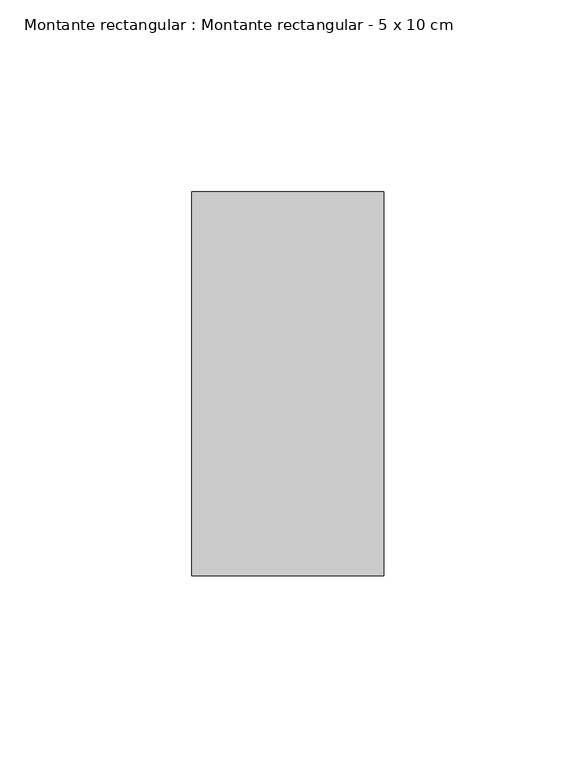
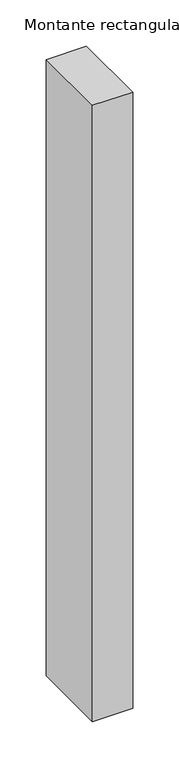
"""IFC4 building model written with IfcOpenShell, lengths in millimetres: member geometry, Montante rectangular : Montante rectangular - 5 x 10 cm."""

from ifc_helpers import new_model, si_unit, frame, origin, place, context, project, spatial, polyline, outline, extrude, source, transform, mapped, element, save


def montante_rectangular_montante_rectangular_5_x_10_cm_a22156e8(model_context):
    return source(origin(), model_context, "Body", "SweptSolid", [
        extrude(outline(polyline([(0.0, -50.0), (-50.0, -50.0), (-50.0, 50.0), (0.0, 50.0), (0.0, -50.0)])), frame((0.0, 0.0, -813.4605771), z_axis=(0.0, 0.0, 1.0), x_axis=(1.0, 0.0, 0.0)), (0.0, 0.0, 1.0), 813.4605771),
    ])


if __name__ == "__main__":
    model = new_model("IFC4")
    model_context = context("Model", 3, world=origin())
    ifc_project = project(units=[si_unit("LENGTHUNIT", "METRE", prefix="MILLI")], contexts=[model_context])
    site = spatial("IfcSite", under=ifc_project)
    building = spatial("IfcBuilding", under=site)
    placement = place(None, origin())
    montante_rectangular_montante_rectangular_5_x_10_cm_shape = montante_rectangular_montante_rectangular_5_x_10_cm_a22156e8(model_context)
    element("IfcMember", 1, ObjectType="Montante rectangular : Montante rectangular - 5 x 10 cm", at=placement, inside=building, context=model_context, shape_type="MappedRepresentation", body=[
        mapped(montante_rectangular_montante_rectangular_5_x_10_cm_shape, transform((0.0, 0.0, 0.0), x_axis=(1.0, 0.0, 0.0), y_axis=(0.0, 1.0, 0.0), z_axis=(0.0, 0.0, 1.0))),
    ])
    save(model, "model.ifc")
